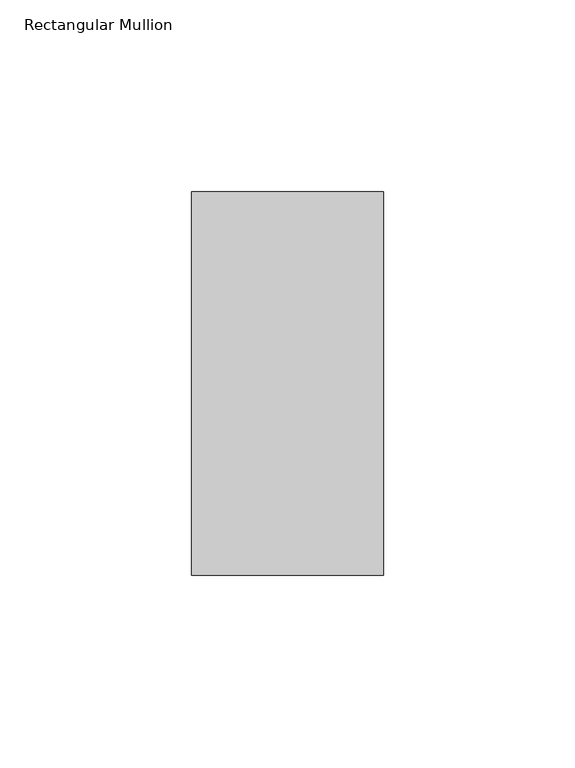
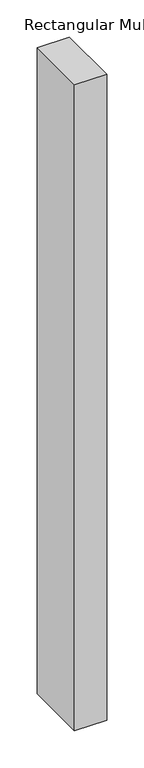
"""IFC4 building model written with IfcOpenShell, lengths in millimetres: member geometry, Rectangular Mullion."""

from ifc_helpers import new_model, si_unit, frame, origin, place, context, project, spatial, polyline, outline, extrude, source, transform, mapped, element, save


def rectangular_mullion_5a69e663(model_context):
    return source(origin(), model_context, "Body", "SweptSolid", [
        extrude(outline(polyline([(25.0, 31.0), (25.0, -69.0), (-25.0, -69.0), (-25.0, 31.0), (25.0, 31.0)])), frame((0.0, 0.0, -1060.0), z_axis=(0.0, 0.0, 1.0), x_axis=(1.0, 0.0, 0.0)), (0.0, 0.0, 1.0), 1060.0),
    ])


if __name__ == "__main__":
    model = new_model("IFC4")
    model_context = context("Model", 3, world=origin())
    ifc_project = project(units=[si_unit("LENGTHUNIT", "METRE", prefix="MILLI")], contexts=[model_context])
    site = spatial("IfcSite", under=ifc_project)
    building = spatial("IfcBuilding", under=site)
    placement = place(None, origin())
    rectangular_mullion_shape = rectangular_mullion_5a69e663(model_context)
    element("IfcMember", 1, ObjectType="Rectangular Mullion", at=placement, inside=building, context=model_context, shape_type="MappedRepresentation", body=[
        mapped(rectangular_mullion_shape, transform((0.0, 0.0, 0.0), x_axis=(1.0, 0.0, 0.0), y_axis=(0.0, 1.0, 0.0), z_axis=(0.0, 0.0, 1.0))),
    ])
    save(model, "model.ifc")
